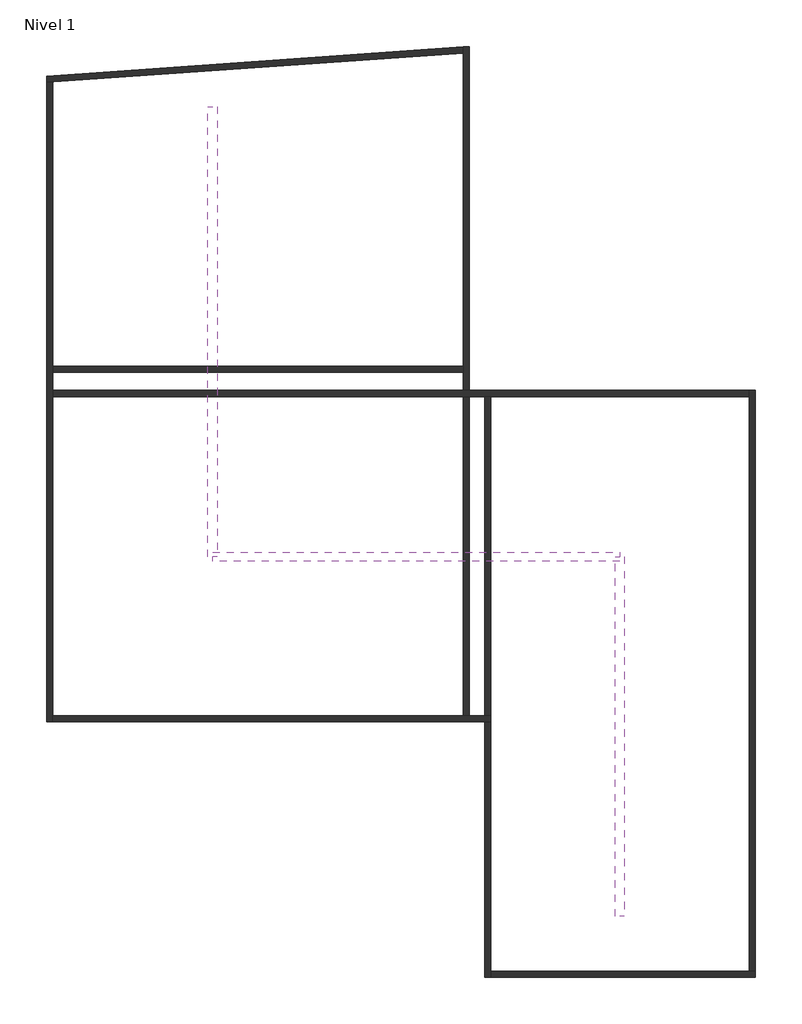
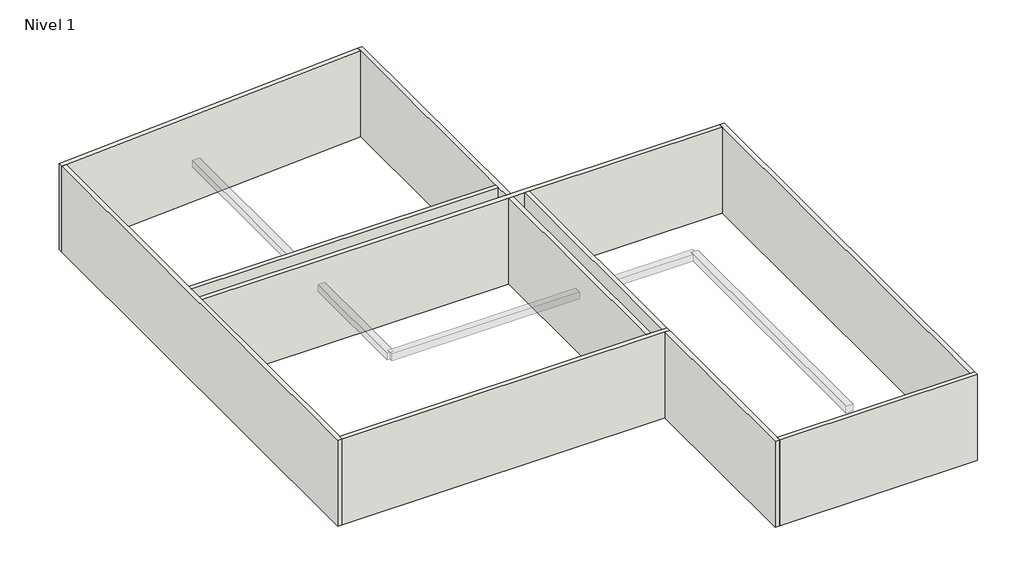
# One storey: 10 walls, 3 duct segments.
"""IFC4 building model written with IfcOpenShell, lengths in millimetres."""

from ifc_helpers import new_model, si_unit, frame, origin, origin_with_axes, place, context, project, spatial, polyline, outline, extrude, faceted_brep, element, save

model = new_model("IFC4")

# Units and contexts
model_context = context("Model", 3, world=origin())
ifc_project = project(units=[si_unit("LENGTHUNIT", "METRE", prefix="MILLI")], contexts=[model_context])

# Site, building, storey
site = spatial("IfcSite", under=ifc_project)
building = spatial("IfcBuilding", under=site)
storey = spatial("IfcBuildingStorey", under=building, Name="Nivel 1", Elevation=0.0)

# Duct segments
placement = place(None, origin())
element("IfcDuctSegment", 1, ObjectType="Por defecto", at=placement, inside=storey, context=model_context, shape_type="SweptSolid", body=[
    extrude(outline(polyline([(-10705.6357338, 17194.7816195), (-10400.6357338, 17194.7816195), (-10400.6357338, 2394.7816195), (-10705.6357338, 2394.7816195), (-10705.6357338, 17194.7816195)])), frame((0.0, 0.0, 2590.7), z_axis=(0.0, 0.0, 1.0), x_axis=(1.0, 0.0, 0.0)), (0.0, 0.0, 1.0), 305.0),
])
element("IfcDuctSegment", 2, ObjectType="Por defecto", at=placement, inside=storey, context=model_context, shape_type="SweptSolid", body=[
    extrude(outline(polyline([(-10553.1357338, 2242.2816195), (-10553.1357338, 2547.2816195), (2834.8670018, 2547.2816195), (2834.8670018, 2242.2816195), (-10553.1357338, 2242.2816195)])), frame((0.0, 0.0, 2590.7), z_axis=(0.0, 0.0, 1.0), x_axis=(1.0, 0.0, 0.0)), (0.0, 0.0, 1.0), 305.0),
])
element("IfcDuctSegment", 3, ObjectType="Por defecto", at=placement, inside=storey, context=model_context, shape_type="SweptSolid", body=[
    extrude(outline(polyline([(2682.3670018, 2394.7816195), (2987.3670018, 2394.7816195), (2987.3670018, -9427.0186085), (2682.3670018, -9427.0186085), (2682.3670018, 2394.7816195)])), frame((0.0, 0.0, 2590.7), z_axis=(0.0, 0.0, 1.0), x_axis=(1.0, 0.0, 0.0)), (0.0, 0.0, 1.0), 305.0),
])

# Walls
element("IfcWall", 4, ObjectType="Muro 1", at=placement, inside=storey, context=model_context, shape_type="Brep", body=[
    faceted_brep([(-16010.2037391, 17998.875624, 0.0), (-16010.2037391, -3035.8901814, 0.0), (-16010.2037391, -3035.8901814, 4000.0), (-16010.2037391, 17998.875624, 4000.0), (-15810.2037391, 18012.8609864, 0.0), (-15810.2037391, 18012.8609864, 4000.0), (-15810.2037391, 8664.1098186, 4000.0), (-15810.2037391, 8464.1098186, 4000.0), (-15810.2037391, 7864.1098186, 4000.0), (-15810.2037391, 7664.1098186, 4000.0), (-15810.2037391, -2835.8901814, 4000.0), (-15810.2037391, -3035.8901814, 4000.0), (-15810.2037391, -3035.8901814, 0.0), (-15810.2037391, -2835.8901814, 0.0), (-15810.2037391, 7664.1098186, 0.0), (-15810.2037391, 7864.1098186, 0.0), (-15810.2037391, 8464.1098186, 0.0), (-15810.2037391, 8664.1098186, 0.0)], [[[0, 1, 2, 3]], [[4, 5, 6, 7, 8, 9, 10, 11, 12, 13, 14, 15, 16, 17]], [[1, 0, 4, 17, 16, 15, 14, 13, 12]], [[3, 2, 11, 10, 9, 8, 7, 6, 5]], [[2, 1, 12, 11]], [[0, 3, 5, 4]]]),
])
element("IfcWall", 5, ObjectType="Muro 1", at=placement, inside=storey, context=model_context, shape_type="Brep", body=[
    faceted_brep([(-15810.2037391, -3035.8901814, 0.0), (-1610.2037391, -3035.8901814, 0.0), (-1410.2037391, -3035.8901814, 0.0), (-1410.2037391, -3035.8901814, 4000.0), (-1610.2037391, -3035.8901814, 4000.0), (-15810.2037391, -3035.8901814, 4000.0), (-15810.2037391, -2835.8901814, 0.0), (-15810.2037391, -2835.8901814, 4000.0), (-2310.2037391, -2835.8901814, 4000.0), (-2110.2037391, -2835.8901814, 4000.0), (-1610.2037391, -2835.8901814, 4000.0), (-1410.2037391, -2835.8901814, 4000.0), (-1410.2037391, -2835.8901814, 0.0), (-1610.2037391, -2835.8901814, 0.0), (-2110.2037391, -2835.8901814, 0.0), (-2310.2037391, -2835.8901814, 0.0)], [[[0, 1, 2, 3, 4, 5]], [[6, 7, 8, 9, 10, 11, 12, 13, 14, 15]], [[2, 1, 0, 6, 15, 14, 13, 12]], [[5, 4, 3, 11, 10, 9, 8, 7]], [[0, 5, 7, 6]], [[3, 2, 12, 11]]]),
])
element("IfcWall", 6, ObjectType="Muro 1", at=placement, inside=storey, context=model_context, shape_type="Brep", body=[
    faceted_brep([(7289.7962609, -11235.8901814, 0.0), (7289.7962609, 7864.1098186, 0.0), (7289.7962609, 7864.1098186, 4000.0), (7289.7962609, -11235.8901814, 4000.0), (7089.7962609, -11235.8901814, 0.0), (7089.7962609, -11235.8901814, 4000.0), (7089.7962609, 7664.1098186, 4000.0), (7089.7962609, 7864.1098186, 4000.0), (7089.7962609, 7864.1098186, 0.0), (7089.7962609, 7664.1098186, 0.0)], [[[0, 1, 2, 3]], [[4, 5, 6, 7, 8, 9]], [[1, 0, 4, 9, 8]], [[3, 2, 7, 6, 5]], [[2, 1, 8, 7]], [[0, 3, 5, 4]]]),
])
element("IfcWall", 7, ObjectType="Muro 1", at=placement, inside=storey, context=model_context, shape_type="Brep", body=[
    faceted_brep([(7089.7962609, 7864.1098186, 0.0), (-2110.2037391, 7864.1098186, 0.0), (-2310.2037391, 7864.1098186, 0.0), (-15810.2037391, 7864.1098186, 0.0), (-15810.2037391, 7864.1098186, 4000.0), (-2310.2037391, 7864.1098186, 4000.0), (-2110.2037391, 7864.1098186, 4000.0), (7089.7962609, 7864.1098186, 4000.0), (7089.7962609, 7664.1098186, 0.0), (7089.7962609, 7664.1098186, 4000.0), (-1410.2037391, 7664.1098186, 4000.0), (-1610.2037391, 7664.1098186, 4000.0), (-2110.2037391, 7664.1098186, 4000.0), (-2310.2037391, 7664.1098186, 4000.0), (-15810.2037391, 7664.1098186, 4000.0), (-15810.2037391, 7664.1098186, 0.0), (-2310.2037391, 7664.1098186, 0.0), (-2110.2037391, 7664.1098186, 0.0), (-1610.2037391, 7664.1098186, 0.0), (-1410.2037391, 7664.1098186, 0.0)], [[[0, 1, 2, 3, 4, 5, 6, 7]], [[8, 9, 10, 11, 12, 13, 14, 15, 16, 17, 18, 19]], [[3, 2, 1, 0, 8, 19, 18, 17, 16, 15]], [[7, 6, 5, 4, 14, 13, 12, 11, 10, 9]], [[4, 3, 15, 14]], [[0, 7, 9, 8]]]),
])
element("IfcWall", 8, ObjectType="Muro 1", at=placement, inside=storey, context=model_context, shape_type="Brep", body=[
    faceted_brep([(-2110.2037391, -2835.8901814, 4000.0), (-2110.2037391, -2835.8901814, 0.0), (-2110.2037391, 7664.1098186, 0.0), (-2110.2037391, 7664.1098186, 4000.0), (-2310.2037391, -2835.8901814, 0.0), (-2310.2037391, -2835.8901814, 4000.0), (-2310.2037391, 7664.1098186, 4000.0), (-2310.2037391, 7664.1098186, 0.0)], [[[0, 1, 2, 3]], [[4, 5, 6, 7]], [[1, 4, 7, 2]], [[5, 0, 3, 6]], [[1, 0, 5, 4]], [[3, 2, 7, 6]]]),
    faceted_brep([(-2110.2037391, 19171.3466896, 0.0), (-2110.2037391, 19171.3466896, 4000.0), (-2110.2037391, 7864.1098186, 4000.0), (-2110.2037391, 7864.1098186, 0.0), (-2310.2037391, 19157.3613272, 4000.0), (-2310.2037391, 19157.3613272, 0.0), (-2310.2037391, 18956.8729476, 0.0), (-2310.2037391, 8664.1098186, 0.0), (-2310.2037391, 8464.1098186, 0.0), (-2310.2037391, 7864.1098186, 0.0), (-2310.2037391, 7864.1098186, 4000.0), (-2310.2037391, 8464.1098186, 4000.0), (-2310.2037391, 8664.1098186, 4000.0), (-2310.2037391, 18956.8729476, 4000.0)], [[[0, 1, 2, 3]], [[4, 5, 6, 7, 8, 9, 10, 11, 12, 13]], [[5, 0, 3, 9, 8, 7, 6]], [[1, 4, 13, 12, 11, 10, 2]], [[3, 2, 10, 9]], [[1, 0, 5, 4]]]),
])
element("IfcWall", 9, ObjectType="Muro 1", at=placement, inside=storey, context=model_context, shape_type="Brep", body=[
    faceted_brep([(-2310.2037391, 19157.3613272, 0.0), (-16010.2037391, 18199.3640036, 0.0), (-16010.2037391, 18199.3640036, 4000.0), (-2310.2037391, 19157.3613272, 4000.0), (-2310.2037391, 18956.8729476, 0.0), (-2310.2037391, 18956.8729476, 4000.0), (-15810.2037391, 18012.8609864, 4000.0), (-16010.2037391, 17998.875624, 4000.0), (-16010.2037391, 17998.875624, 0.0), (-15810.2037391, 18012.8609864, 0.0)], [[[0, 1, 2, 3]], [[4, 5, 6, 7, 8, 9]], [[1, 0, 4, 9, 8]], [[3, 2, 7, 6, 5]], [[0, 3, 5, 4]], [[2, 1, 8, 7]]]),
])
element("IfcWall", 10, ObjectType="Muro 1", at=placement, inside=storey, context=model_context, shape_type="SweptSolid", body=[
    extrude(outline(polyline([(-1610.2037391, -2835.8901814), (-1610.2037391, 7664.1098186), (-1410.2037391, 7664.1098186), (-1410.2037391, -2835.8901814), (-1610.2037391, -2835.8901814)])), origin_with_axes(), (0.0, 0.0, 1.0), 4000.0),
])
element("IfcWall", 11, ObjectType="Muro 1", at=placement, inside=storey, context=model_context, shape_type="SweptSolid", body=[
    extrude(outline(polyline([(-15810.2037391, 8664.1098186), (-2310.2037391, 8664.1098186), (-2310.2037391, 8464.1098186), (-15810.2037391, 8464.1098186), (-15810.2037391, 8664.1098186)])), origin_with_axes(), (0.0, 0.0, 1.0), 4000.0),
])
element("IfcWall", 12, ObjectType="Muro 1", at=placement, inside=storey, context=model_context, shape_type="Brep", body=[
    faceted_brep([(-1610.2037391, -3035.8901814, 0.0), (-1610.2037391, -11435.8901814, 0.0), (-1610.2037391, -11435.8901814, 4000.0), (-1610.2037391, -3035.8901814, 4000.0), (-1410.2037391, -3035.8901814, 0.0), (-1410.2037391, -3035.8901814, 4000.0), (-1410.2037391, -11235.8901814, 4000.0), (-1410.2037391, -11435.8901814, 4000.0), (-1410.2037391, -11435.8901814, 0.0), (-1410.2037391, -11235.8901814, 0.0)], [[[0, 1, 2, 3]], [[4, 5, 6, 7, 8, 9]], [[1, 0, 4, 9, 8]], [[3, 2, 7, 6, 5]], [[0, 3, 5, 4]], [[2, 1, 8, 7]]]),
])
element("IfcWall", 13, ObjectType="Muro 1", at=placement, inside=storey, context=model_context, shape_type="Brep", body=[
    faceted_brep([(-1410.2037391, -11435.8901814, 0.0), (7289.7962609, -11435.8901814, 0.0), (7289.7962609, -11435.8901814, 4000.0), (-1410.2037391, -11435.8901814, 4000.0), (-1410.2037391, -11235.8901814, 0.0), (-1410.2037391, -11235.8901814, 4000.0), (7089.7962609, -11235.8901814, 4000.0), (7289.7962609, -11235.8901814, 4000.0), (7289.7962609, -11235.8901814, 0.0), (7089.7962609, -11235.8901814, 0.0)], [[[0, 1, 2, 3]], [[4, 5, 6, 7, 8, 9]], [[1, 0, 4, 9, 8]], [[3, 2, 7, 6, 5]], [[0, 3, 5, 4]], [[2, 1, 8, 7]]]),
])

save(model, "model.ifc")
